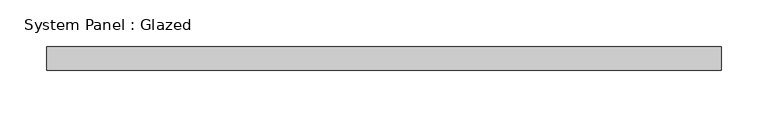
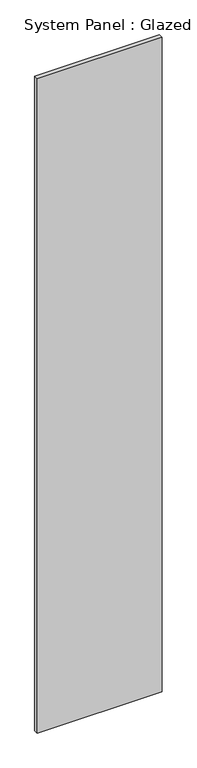
"""IFC4 building model written with IfcOpenShell, lengths in millimetres: plate geometry, System Panel : Glazed."""

from ifc_helpers import new_model, si_unit, origin, origin_with_axes, place, context, project, spatial, polyline, outline, extrude, source, transform, mapped, element, save


def system_panel_glazed_8765db6b(model_context):
    return source(origin(), model_context, "Body", "SweptSolid", [
        extrude(outline(polyline([(359.8264082, -49.5), (-359.8264082, -49.5), (-359.8264082, -24.5), (359.8264082, -24.5), (359.8264082, -49.5)])), origin_with_axes(), (0.0, 0.0, 1.0), 3985.0),
    ])


if __name__ == "__main__":
    model = new_model("IFC4")
    model_context = context("Model", 3, world=origin())
    ifc_project = project(units=[si_unit("LENGTHUNIT", "METRE", prefix="MILLI")], contexts=[model_context])
    site = spatial("IfcSite", under=ifc_project)
    building = spatial("IfcBuilding", under=site)
    placement = place(None, origin())
    system_panel_glazed_shape = system_panel_glazed_8765db6b(model_context)
    element("IfcPlate", 1, ObjectType="System Panel : Glazed", at=placement, inside=building, context=model_context, shape_type="MappedRepresentation", body=[
        mapped(system_panel_glazed_shape, transform((0.0, 0.0, 0.0), x_axis=(1.0, 0.0, 0.0), y_axis=(0.0, 1.0, 0.0), z_axis=(0.0, 0.0, 1.0))),
    ])
    save(model, "model.ifc")
